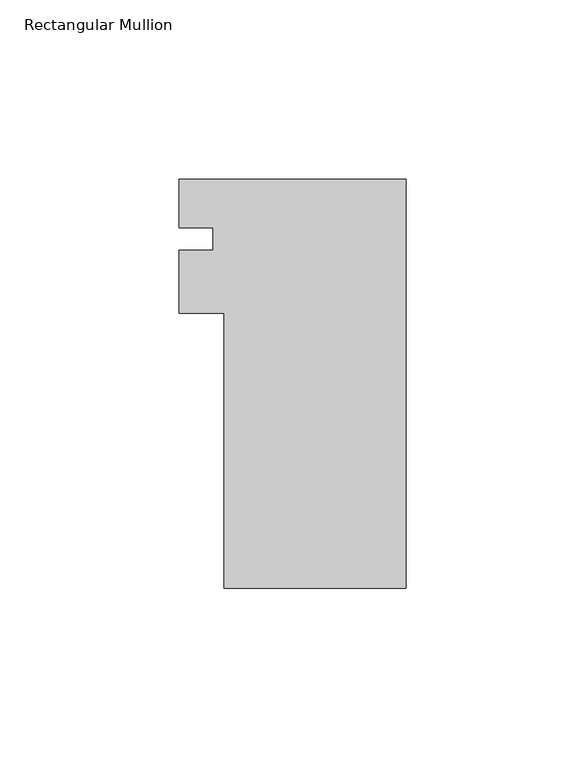
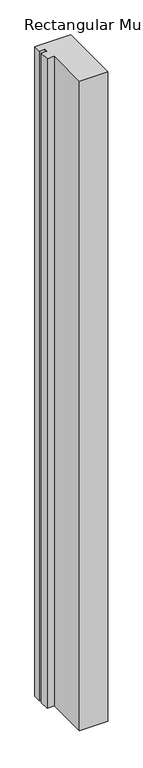
"""IFC4 building model written with IfcOpenShell, lengths in millimetres: member geometry, Rectangular Mullion."""

from ifc_helpers import new_model, si_unit, frame, origin, place, context, project, spatial, polyline, outline, extrude, source, transform, mapped, element, save


def rectangular_mullion_70d1ffb7(model_context):
    return source(origin(), model_context, "Body", "SweptSolid", [
        extrude(outline(polyline([(-50.8, -39.773225), (-50.8, 37.061775), (-63.4999959, 37.061775), (-63.4999959, 54.5598739), (-53.9749959, 54.5598739), (-53.9749959, 60.874275), (-63.4999959, 60.874275), (-63.4999959, 74.526775), (0.0, 74.526775), (0.0, -39.773225), (-50.8, -39.773225)])), frame((0.0, 0.0, -1219.2), z_axis=(0.0, 0.0, 1.0), x_axis=(1.0, 0.0, 0.0)), (0.0, 0.0, 1.0), 1219.2),
    ])


if __name__ == "__main__":
    model = new_model("IFC4")
    model_context = context("Model", 3, world=origin())
    ifc_project = project(units=[si_unit("LENGTHUNIT", "METRE", prefix="MILLI")], contexts=[model_context])
    site = spatial("IfcSite", under=ifc_project)
    building = spatial("IfcBuilding", under=site)
    placement = place(None, origin())
    rectangular_mullion_shape = rectangular_mullion_70d1ffb7(model_context)
    element("IfcMember", 1, ObjectType="Rectangular Mullion", at=placement, inside=building, context=model_context, shape_type="MappedRepresentation", body=[
        mapped(rectangular_mullion_shape, transform((0.0, 0.0, 0.0), x_axis=(1.0, 0.0, 0.0), y_axis=(0.0, 1.0, 0.0), z_axis=(0.0, 0.0, 1.0))),
    ])
    save(model, "model.ifc")
